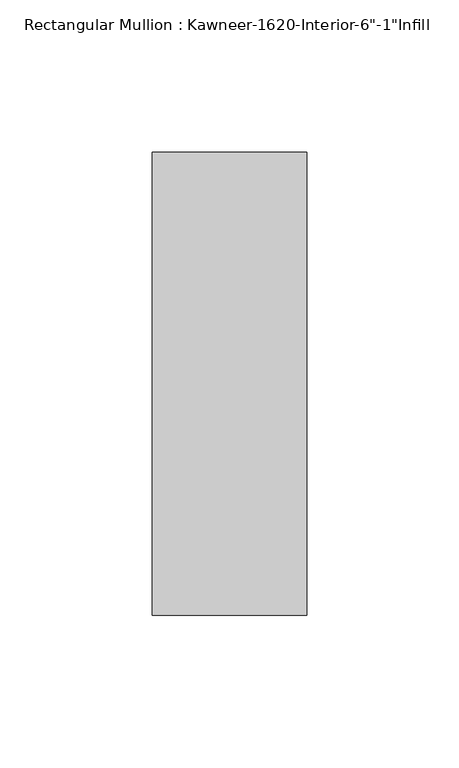
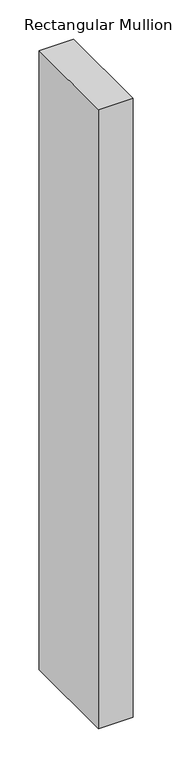
"""IFC4 building model written with IfcOpenShell, lengths in millimetres: member geometry."""

import ifcopenshell
import ifcopenshell.guid

model = None  # the IFC model being written
_history = None  # IfcOwnerHistory: only IFC2X3 demands one
_inside = {}  # id of a spatial element -> (the spatial element, [elements in it])
_under = {}  # id of a project, library or spatial element -> (it, [spatial elements below it])
_declared = {}  # id of a project -> (the project, [libraries it declares])
_typed = {}  # id of a type object -> (the type object, [elements of that type])
_made_of = {}  # id of a material, layer set ... -> (it, [elements and type objects made of it])


def new_model(schema):
    """Start an empty IFC model of exactly this schema.

    Asked for "IFC4X3", IfcOpenShell would pick the latest addendum, in which some entities
    have other attributes; the version numbers below select the first issue.
    IFC2X3 requires an IfcOwnerHistory on every rooted entity: one is made here for all.
    """
    global model, _history
    if schema == "IFC4X3":
        model = ifcopenshell.file(schema_version=(4, 3, 0, 0))
    else:
        model = ifcopenshell.file(schema=schema)
    _inside.clear()
    _under.clear()
    _declared.clear()
    _typed.clear()
    _made_of.clear()
    _history = None
    if model.schema == "IFC2X3":
        org = make("IfcOrganization", Name="unknown")
        user = make(
            "IfcPersonAndOrganization",
            ThePerson=make("IfcPerson", FamilyName="unknown"),
            TheOrganization=org,
        )
        app = make(
            "IfcApplication",
            ApplicationDeveloper=org,
            Version="unknown",
            ApplicationFullName="unknown",
            ApplicationIdentifier="unknown",
        )
        _history = make(
            "IfcOwnerHistory",
            OwningUser=user,
            OwningApplication=app,
            ChangeAction="ADDED",
            CreationDate=0,
        )
    return model


def make(cls, **values):
    """One entity of the class cls with the attributes given. An attribute that is None is left unset."""
    return model.create_entity(
        cls, **{name: value for name, value in values.items() if value is not None}
    )


def rooted(cls, **values):
    """An entity with a GlobalId (a new one), such as an element, a storey or a relation."""
    return make(cls, GlobalId=ifcopenshell.guid.new(), OwnerHistory=_history, **values)


def si_unit(unit_type, name, prefix=None):
    """IfcSIUnit, for example si_unit("LENGTHUNIT", "METRE", prefix="MILLI")."""
    return make("IfcSIUnit", UnitType=unit_type, Prefix=prefix, Name=name)


def assignment(units):
    """IfcUnitAssignment: the units of a project."""
    return None if units is None else make("IfcUnitAssignment", Units=units)


def point(xyz):
    """IfcCartesianPoint."""
    return None if xyz is None else make("IfcCartesianPoint", Coordinates=xyz)


def direction(xyz):
    """IfcDirection."""
    return None if xyz is None else make("IfcDirection", DirectionRatios=xyz)


def frame(location, z_axis=None, x_axis=None):
    """IfcAxis2Placement3D, a coordinate frame: its origin and axes. An axis left out is left unset."""
    return make(
        "IfcAxis2Placement3D",
        Location=point(location),
        Axis=direction(z_axis),
        RefDirection=direction(x_axis),
    )


def origin():
    """The frame at (0, 0, 0) with its axes left unset."""
    return frame((0.0, 0.0, 0.0))


def place(relative_to, where):
    """IfcLocalPlacement: puts the frame where relative to a parent placement (None: the world)."""
    return make(
        "IfcLocalPlacement", PlacementRelTo=relative_to, RelativePlacement=where
    )


def context(
    kind, dimensions, precision=None, world=None, true_north=None, identifier=None
):
    """IfcGeometricRepresentationContext, for example the 3D "Model" context."""
    return make(
        "IfcGeometricRepresentationContext",
        ContextIdentifier=identifier,
        ContextType=kind,
        CoordinateSpaceDimension=dimensions,
        Precision=precision,
        WorldCoordinateSystem=world,
        TrueNorth=true_north,
    )


def project(units=None, contexts=None):
    """IfcProject with its units and contexts."""
    return rooted(
        "IfcProject",
        Name="project",
        RepresentationContexts=contexts,
        UnitsInContext=assignment(units),
    )


def spatial(cls, under=None, at=None, **own):
    """A site, building, storey or space (cls), placed at a placement, below another one or the project."""
    s = rooted(cls, ObjectPlacement=at, **own)
    if under is not None:
        _under.setdefault(under.id(), (under, []))[1].append(s)
    return s


def polyline(points):
    """IfcPolyline through the points."""
    return make("IfcPolyline", Points=[point(p) for p in points])


def outline(outer, holes=None, kind="AREA"):
    """IfcArbitraryClosedProfileDef: a profile drawn as a closed curve; with holes, ...WithVoids."""
    if holes is None:
        return make("IfcArbitraryClosedProfileDef", ProfileType=kind, OuterCurve=outer)
    return make(
        "IfcArbitraryProfileDefWithVoids",
        ProfileType=kind,
        OuterCurve=outer,
        InnerCurves=holes,
    )


def extrude(swept, where, along, depth):
    """IfcExtrudedAreaSolid: the profile swept, set in the frame where, extruded along a direction by depth."""
    return make(
        "IfcExtrudedAreaSolid",
        SweptArea=swept,
        Position=where,
        ExtrudedDirection=direction(along),
        Depth=depth,
    )


def shape(context_of_items, identifier, shape_type, items):
    """IfcShapeRepresentation: the items that make up one representation, for example the "Body"."""
    return make(
        "IfcShapeRepresentation",
        ContextOfItems=context_of_items,
        RepresentationIdentifier=identifier,
        RepresentationType=shape_type,
        Items=items,
    )


def source(mapping_origin, context_of_items, identifier, shape_type, items):
    """IfcRepresentationMap: a shape defined once, which mapped items show again and again."""
    return make(
        "IfcRepresentationMap",
        MappingOrigin=mapping_origin,
        MappedRepresentation=shape(context_of_items, identifier, shape_type, items),
    )


def transform(
    local_origin,
    x_axis=None,
    y_axis=None,
    z_axis=None,
    scale=None,
    scale2=None,
    scale3=None,
    uniform=True,
):
    """IfcCartesianTransformationOperator3D, or its non-uniform kind. x_axis, y_axis, z_axis: its Axis1, 2, 3."""
    if uniform:
        return make(
            "IfcCartesianTransformationOperator3D",
            Axis1=direction(x_axis),
            Axis2=direction(y_axis),
            LocalOrigin=point(local_origin),
            Scale=scale,
            Axis3=direction(z_axis),
        )
    return make(
        "IfcCartesianTransformationOperator3DnonUniform",
        Axis1=direction(x_axis),
        Axis2=direction(y_axis),
        LocalOrigin=point(local_origin),
        Scale=scale,
        Axis3=direction(z_axis),
        Scale2=scale2,
        Scale3=scale3,
    )


def mapped(mapping_source, mapping_target):
    """IfcMappedItem: shows the shape of a source again, moved by a transform."""
    return make(
        "IfcMappedItem", MappingSource=mapping_source, MappingTarget=mapping_target
    )


def made_of(thing, what):
    """Note that an element or type object is made of a material, layer set ...; save() writes the relation."""
    if what is not None:
        _made_of.setdefault(what.id(), (what, []))[1].append(thing)
    return thing


def element(
    cls,
    number,
    at=None,
    inside=None,
    cuts=None,
    type_object=None,
    material=None,
    context=None,
    identifier="Body",
    shape_type=None,
    held_by="IfcProductDefinitionShape",
    body=None,
    shapes=None,
    **own,
):
    """One element of the class cls, such as IfcWall. Its Tag is "e" and its number.

    at: its placement. inside: the storey or other place that contains it. cuts: it is an
    opening in that element (IfcRelVoidsElement). A single representation is given by context,
    identifier, shape_type and body (its items); several are given by shapes. held_by: the class
    of the entity that holds the representations. save() writes the other relations.
    """
    e = rooted(cls, Tag="e%d" % number, ObjectPlacement=at, **own)
    if body is not None:
        shapes = [shape(context, identifier, shape_type, body)]
    if shapes is not None:
        e.Representation = make(held_by, Representations=shapes)
    if inside is not None:
        _inside.setdefault(inside.id(), (inside, []))[1].append(e)
    if cuts is not None:
        rooted(
            "IfcRelVoidsElement", RelatingBuildingElement=cuts, RelatedOpeningElement=e
        )
    if type_object is not None:
        _typed.setdefault(type_object.id(), (type_object, []))[1].append(e)
    return made_of(e, material)


def aggregate(whole, parts):
    """IfcRelAggregates: a whole, such as a stair, and the parts it consists of."""
    return rooted("IfcRelAggregates", RelatingObject=whole, RelatedObjects=parts)


def save(model, path):
    """Write the relations noted so far, then the file.

    IfcRelAggregates (storeys below a building ...), IfcRelContainedInSpatialStructure (elements
    in a storey), IfcRelDefinesByType, IfcRelAssociatesMaterial and IfcRelDeclares: one each for
    every whole, place, type object, material and project.
    """
    for whole, parts in _under.values():
        aggregate(whole, parts)
    for where, things in _inside.values():
        rooted(
            "IfcRelContainedInSpatialStructure",
            RelatedElements=things,
            RelatingStructure=where,
        )
    for kind, things in _typed.values():
        rooted("IfcRelDefinesByType", RelatedObjects=things, RelatingType=kind)
    for what, things in _made_of.values():
        rooted("IfcRelAssociatesMaterial", RelatedObjects=things, RelatingMaterial=what)
    for by, libraries in _declared.values():
        rooted("IfcRelDeclares", RelatingContext=by, RelatedDefinitions=libraries)
    model.write(path)


def member_81fb5494(model_context):
    return source(origin(), model_context, "Body", "SweptSolid", [
        extrude(outline(polyline([(25.4, 114.3), (25.4, -38.1), (-25.4, -38.1), (-25.4, 114.3), (25.4, 114.3)])), frame((0.0, 0.0, -965.1065367), z_axis=(0.0, 0.0, 1.0), x_axis=(1.0, 0.0, 0.0)), (0.0, 0.0, 1.0), 965.1065367),
    ])


if __name__ == "__main__":
    model = new_model("IFC4")
    model_context = context("Model", 3, world=origin())
    ifc_project = project(units=[si_unit("LENGTHUNIT", "METRE", prefix="MILLI")], contexts=[model_context])
    site = spatial("IfcSite", under=ifc_project)
    building = spatial("IfcBuilding", under=site)
    placement = place(None, origin())
    member_shape = member_81fb5494(model_context)
    element("IfcMember", 1, ObjectType="Rectangular Mullion : Kawneer-1620-Interior-6\"-1\"Infill", at=placement, inside=building, context=model_context, shape_type="MappedRepresentation", body=[
        mapped(member_shape, transform((0.0, 0.0, 0.0), x_axis=(1.0, 0.0, 0.0), y_axis=(0.0, 1.0, 0.0), z_axis=(0.0, 0.0, 1.0))),
    ])
    save(model, "model.ifc")
